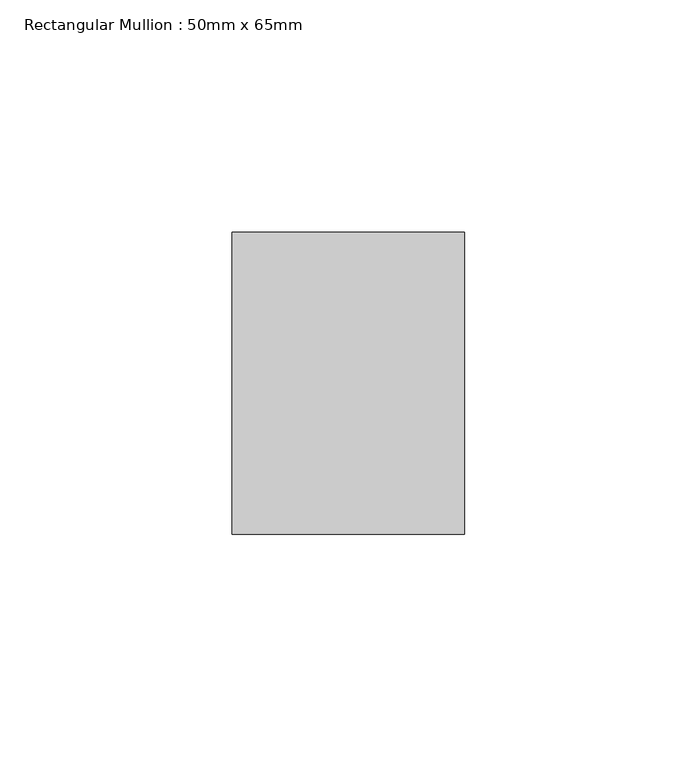
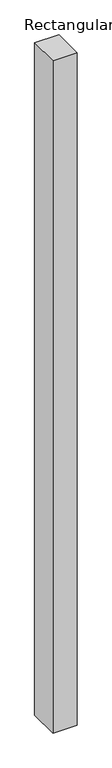
"""IFC4 building model written with IfcOpenShell, lengths in millimetres: member geometry, Rectangular Mullion : 50mm x 65mm."""

from ifc_helpers import new_model, si_unit, frame, origin, place, context, project, spatial, polyline, outline, extrude, source, transform, mapped, element, save


def rectangular_mullion_50mm_x_65mm_6ef73e7e(model_context):
    return source(origin(), model_context, "Body", "SweptSolid", [
        extrude(outline(polyline([(25.0, 32.5), (25.0, -32.5), (-25.0, -32.5), (-25.0, 32.5), (25.0, 32.5)])), frame((0.0, 0.0, -1473.7158498), z_axis=(0.0, 0.0, 1.0), x_axis=(1.0, 0.0, 0.0)), (0.0, 0.0, 1.0), 1473.7158498),
    ])


if __name__ == "__main__":
    model = new_model("IFC4")
    model_context = context("Model", 3, world=origin())
    ifc_project = project(units=[si_unit("LENGTHUNIT", "METRE", prefix="MILLI")], contexts=[model_context])
    site = spatial("IfcSite", under=ifc_project)
    building = spatial("IfcBuilding", under=site)
    placement = place(None, origin())
    rectangular_mullion_50mm_x_65mm_shape = rectangular_mullion_50mm_x_65mm_6ef73e7e(model_context)
    element("IfcMember", 1, ObjectType="Rectangular Mullion : 50mm x 65mm", at=placement, inside=building, context=model_context, shape_type="MappedRepresentation", body=[
        mapped(rectangular_mullion_50mm_x_65mm_shape, transform((0.0, 0.0, 0.0), x_axis=(1.0, 0.0, 0.0), y_axis=(0.0, 1.0, 0.0), z_axis=(0.0, 0.0, 1.0))),
    ])
    save(model, "model.ifc")
